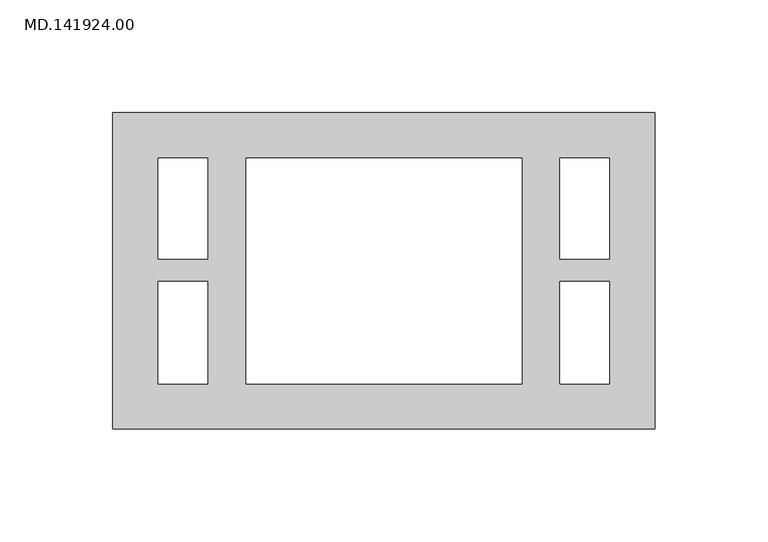
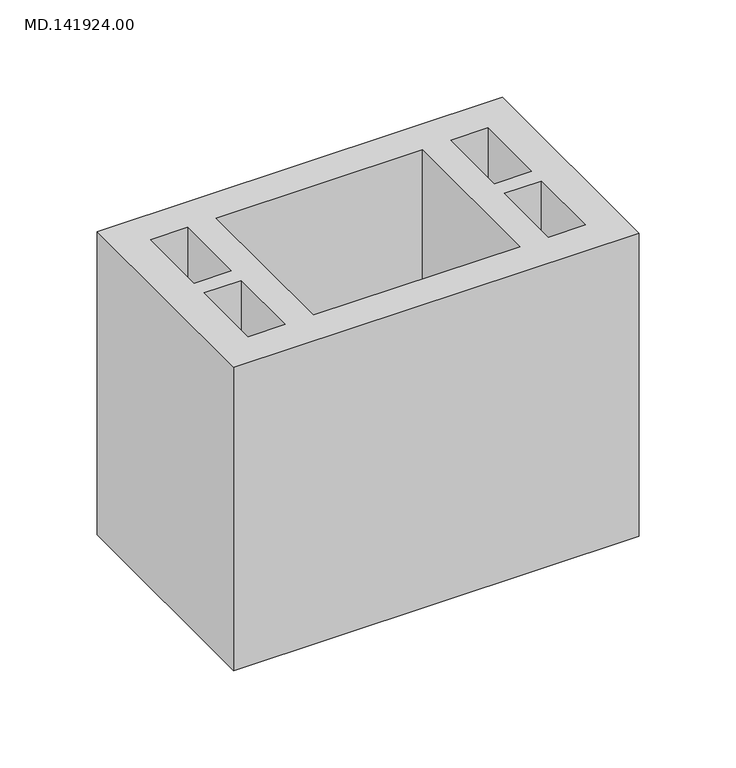
"""IFC4 building model written with IfcOpenShell, lengths in millimetres: proxy geometry, MD.141924.00."""

from ifc_helpers import new_model, si_unit, origin, origin_with_axes, place, context, project, spatial, polyline, outline, extrude, source, transform, mapped, element, save


def md_141924_00_01855599(model_context):
    return source(origin(), model_context, "Body", "SweptSolid", [
        extrude(outline(polyline([(244.9914551, 70.0050293), (244.9914551, -70.0050293), (5.0, -70.0050293), (5.0, 70.0050293), (244.9914551, 70.0050293)]), holes=[polyline([(186.1035584, -50.00625), (186.1035584, 50.00625), (63.9184745, 50.00625), (63.9184745, -50.00625), (186.1035584, -50.00625)]), polyline([(25.0173828, -4.7490177), (25.0173828, -50.00625), (47.0096891, -50.00625), (47.0096891, -4.7490177), (25.0173828, -4.7490177)]), polyline([(47.0096891, 50.00625), (25.0173828, 50.00625), (25.0173828, 5.2451397), (47.0096891, 5.2451397), (47.0096891, 50.00625)]), polyline([(203.0123438, 50.00625), (203.0123438, 5.2451397), (225.0046501, 5.2451397), (225.0046501, 50.00625), (203.0123438, 50.00625)]), polyline([(225.0046501, -4.7490177), (203.0123438, -4.7490177), (203.0123438, -50.00625), (225.0046501, -50.00625), (225.0046501, -4.7490177)])]), origin_with_axes(), (0.0, 0.0, 1.0), 190.0),
    ])


if __name__ == "__main__":
    model = new_model("IFC4")
    model_context = context("Model", 3, world=origin())
    ifc_project = project(units=[si_unit("LENGTHUNIT", "METRE", prefix="MILLI")], contexts=[model_context])
    site = spatial("IfcSite", under=ifc_project)
    building = spatial("IfcBuilding", under=site)
    placement = place(None, origin())
    md_141924_00_shape = md_141924_00_01855599(model_context)
    element("IfcBuildingElementProxy", 1, Name="MD.141924.00", ObjectType="MD.141924.00", at=placement, inside=building, context=model_context, shape_type="MappedRepresentation", body=[
        mapped(md_141924_00_shape, transform((0.0, 0.0, 0.0), x_axis=(1.0, 0.0, 0.0), y_axis=(0.0, 1.0, 0.0), z_axis=(0.0, 0.0, 1.0))),
    ])
    save(model, "model.ifc")
